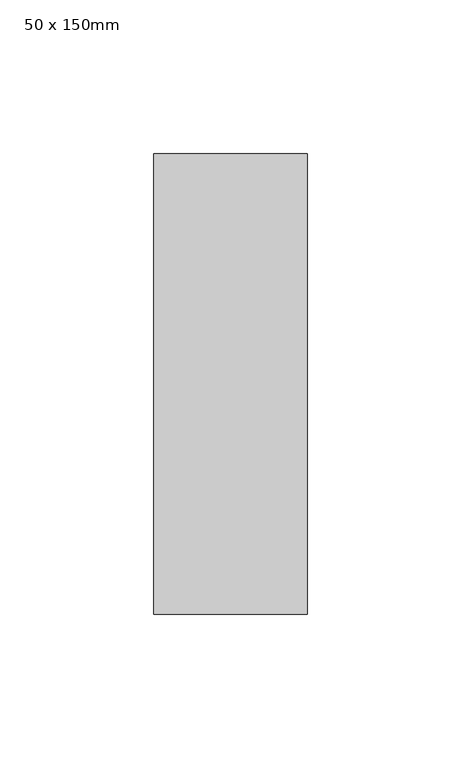
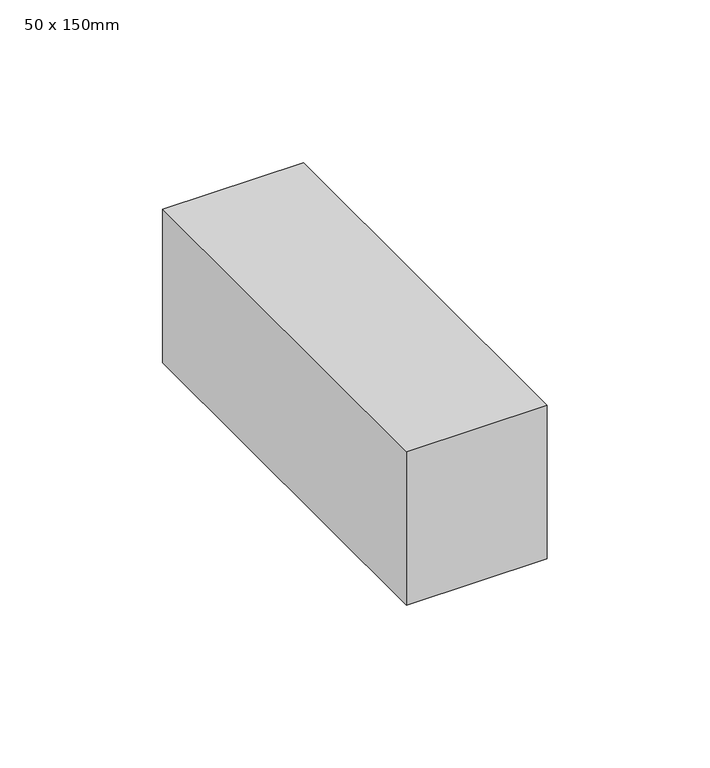
"""IFC4 building model written with IfcOpenShell, lengths in millimetres: member geometry, 50 x 150mm."""

from ifc_helpers import new_model, si_unit, frame, origin, place, context, project, spatial, polyline, outline, extrude, source, transform, mapped, element, save


def member_50_x_150mm_963cd23b(model_context):
    return source(origin(), model_context, "Body", "SweptSolid", [
        extrude(outline(polyline([(25.0, 75.0), (25.0, -75.0), (-25.0, -75.0), (-25.0, 75.0), (25.0, 75.0)])), frame((0.0, 0.0, -57.6775389), z_axis=(0.0, 0.0, 1.0), x_axis=(1.0, 0.0, 0.0)), (0.0, 0.0, 1.0), 57.6775389),
    ])


if __name__ == "__main__":
    model = new_model("IFC4")
    model_context = context("Model", 3, world=origin())
    ifc_project = project(units=[si_unit("LENGTHUNIT", "METRE", prefix="MILLI")], contexts=[model_context])
    site = spatial("IfcSite", under=ifc_project)
    building = spatial("IfcBuilding", under=site)
    placement = place(None, origin())
    member_50_x_150mm_shape = member_50_x_150mm_963cd23b(model_context)
    element("IfcMember", 1, ObjectType="50 x 150mm", at=placement, inside=building, context=model_context, shape_type="MappedRepresentation", body=[
        mapped(member_50_x_150mm_shape, transform((0.0, 0.0, 0.0), x_axis=(1.0, 0.0, 0.0), y_axis=(0.0, 1.0, 0.0), z_axis=(0.0, 0.0, 1.0))),
    ])
    save(model, "model.ifc")
